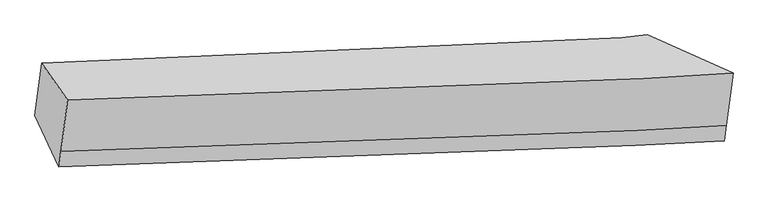
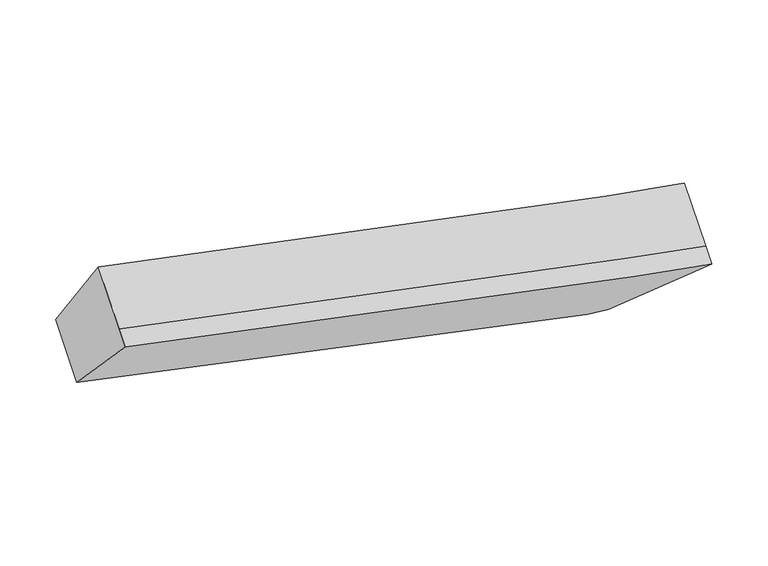
"""IFC4 building model written with IfcOpenShell, lengths in millimetres: proxy geometry."""

import ifcopenshell
import ifcopenshell.guid

model = None  # the IFC model being written
_history = None  # IfcOwnerHistory: only IFC2X3 demands one
_inside = {}  # id of a spatial element -> (the spatial element, [elements in it])
_under = {}  # id of a project, library or spatial element -> (it, [spatial elements below it])
_declared = {}  # id of a project -> (the project, [libraries it declares])
_typed = {}  # id of a type object -> (the type object, [elements of that type])
_made_of = {}  # id of a material, layer set ... -> (it, [elements and type objects made of it])


def new_model(schema):
    """Start an empty IFC model of exactly this schema.

    Asked for "IFC4X3", IfcOpenShell would pick the latest addendum, in which some entities
    have other attributes; the version numbers below select the first issue.
    IFC2X3 requires an IfcOwnerHistory on every rooted entity: one is made here for all.
    """
    global model, _history
    if schema == "IFC4X3":
        model = ifcopenshell.file(schema_version=(4, 3, 0, 0))
    else:
        model = ifcopenshell.file(schema=schema)
    _inside.clear()
    _under.clear()
    _declared.clear()
    _typed.clear()
    _made_of.clear()
    _history = None
    if model.schema == "IFC2X3":
        org = make("IfcOrganization", Name="unknown")
        user = make(
            "IfcPersonAndOrganization",
            ThePerson=make("IfcPerson", FamilyName="unknown"),
            TheOrganization=org,
        )
        app = make(
            "IfcApplication",
            ApplicationDeveloper=org,
            Version="unknown",
            ApplicationFullName="unknown",
            ApplicationIdentifier="unknown",
        )
        _history = make(
            "IfcOwnerHistory",
            OwningUser=user,
            OwningApplication=app,
            ChangeAction="ADDED",
            CreationDate=0,
        )
    return model


def make(cls, **values):
    """One entity of the class cls with the attributes given. An attribute that is None is left unset."""
    return model.create_entity(
        cls, **{name: value for name, value in values.items() if value is not None}
    )


def rooted(cls, **values):
    """An entity with a GlobalId (a new one), such as an element, a storey or a relation."""
    return make(cls, GlobalId=ifcopenshell.guid.new(), OwnerHistory=_history, **values)


def si_unit(unit_type, name, prefix=None):
    """IfcSIUnit, for example si_unit("LENGTHUNIT", "METRE", prefix="MILLI")."""
    return make("IfcSIUnit", UnitType=unit_type, Prefix=prefix, Name=name)


def assignment(units):
    """IfcUnitAssignment: the units of a project."""
    return None if units is None else make("IfcUnitAssignment", Units=units)


def point(xyz):
    """IfcCartesianPoint."""
    return None if xyz is None else make("IfcCartesianPoint", Coordinates=xyz)


def direction(xyz):
    """IfcDirection."""
    return None if xyz is None else make("IfcDirection", DirectionRatios=xyz)


def frame(location, z_axis=None, x_axis=None):
    """IfcAxis2Placement3D, a coordinate frame: its origin and axes. An axis left out is left unset."""
    return make(
        "IfcAxis2Placement3D",
        Location=point(location),
        Axis=direction(z_axis),
        RefDirection=direction(x_axis),
    )


def origin():
    """The frame at (0, 0, 0) with its axes left unset."""
    return frame((0.0, 0.0, 0.0))


def place(relative_to, where):
    """IfcLocalPlacement: puts the frame where relative to a parent placement (None: the world)."""
    return make(
        "IfcLocalPlacement", PlacementRelTo=relative_to, RelativePlacement=where
    )


def context(
    kind, dimensions, precision=None, world=None, true_north=None, identifier=None
):
    """IfcGeometricRepresentationContext, for example the 3D "Model" context."""
    return make(
        "IfcGeometricRepresentationContext",
        ContextIdentifier=identifier,
        ContextType=kind,
        CoordinateSpaceDimension=dimensions,
        Precision=precision,
        WorldCoordinateSystem=world,
        TrueNorth=true_north,
    )


def project(units=None, contexts=None):
    """IfcProject with its units and contexts."""
    return rooted(
        "IfcProject",
        Name="project",
        RepresentationContexts=contexts,
        UnitsInContext=assignment(units),
    )


def spatial(cls, under=None, at=None, **own):
    """A site, building, storey or space (cls), placed at a placement, below another one or the project."""
    s = rooted(cls, ObjectPlacement=at, **own)
    if under is not None:
        _under.setdefault(under.id(), (under, []))[1].append(s)
    return s


def shape(context_of_items, identifier, shape_type, items):
    """IfcShapeRepresentation: the items that make up one representation, for example the "Body"."""
    return make(
        "IfcShapeRepresentation",
        ContextOfItems=context_of_items,
        RepresentationIdentifier=identifier,
        RepresentationType=shape_type,
        Items=items,
    )


def source(mapping_origin, context_of_items, identifier, shape_type, items):
    """IfcRepresentationMap: a shape defined once, which mapped items show again and again."""
    return make(
        "IfcRepresentationMap",
        MappingOrigin=mapping_origin,
        MappedRepresentation=shape(context_of_items, identifier, shape_type, items),
    )


def transform(
    local_origin,
    x_axis=None,
    y_axis=None,
    z_axis=None,
    scale=None,
    scale2=None,
    scale3=None,
    uniform=True,
):
    """IfcCartesianTransformationOperator3D, or its non-uniform kind. x_axis, y_axis, z_axis: its Axis1, 2, 3."""
    if uniform:
        return make(
            "IfcCartesianTransformationOperator3D",
            Axis1=direction(x_axis),
            Axis2=direction(y_axis),
            LocalOrigin=point(local_origin),
            Scale=scale,
            Axis3=direction(z_axis),
        )
    return make(
        "IfcCartesianTransformationOperator3DnonUniform",
        Axis1=direction(x_axis),
        Axis2=direction(y_axis),
        LocalOrigin=point(local_origin),
        Scale=scale,
        Axis3=direction(z_axis),
        Scale2=scale2,
        Scale3=scale3,
    )


def mapped(mapping_source, mapping_target):
    """IfcMappedItem: shows the shape of a source again, moved by a transform."""
    return make(
        "IfcMappedItem", MappingSource=mapping_source, MappingTarget=mapping_target
    )


def made_of(thing, what):
    """Note that an element or type object is made of a material, layer set ...; save() writes the relation."""
    if what is not None:
        _made_of.setdefault(what.id(), (what, []))[1].append(thing)
    return thing


def element(
    cls,
    number,
    at=None,
    inside=None,
    cuts=None,
    type_object=None,
    material=None,
    context=None,
    identifier="Body",
    shape_type=None,
    held_by="IfcProductDefinitionShape",
    body=None,
    shapes=None,
    **own,
):
    """One element of the class cls, such as IfcWall. Its Tag is "e" and its number.

    at: its placement. inside: the storey or other place that contains it. cuts: it is an
    opening in that element (IfcRelVoidsElement). A single representation is given by context,
    identifier, shape_type and body (its items); several are given by shapes. held_by: the class
    of the entity that holds the representations. save() writes the other relations.
    """
    e = rooted(cls, Tag="e%d" % number, ObjectPlacement=at, **own)
    if body is not None:
        shapes = [shape(context, identifier, shape_type, body)]
    if shapes is not None:
        e.Representation = make(held_by, Representations=shapes)
    if inside is not None:
        _inside.setdefault(inside.id(), (inside, []))[1].append(e)
    if cuts is not None:
        rooted(
            "IfcRelVoidsElement", RelatingBuildingElement=cuts, RelatedOpeningElement=e
        )
    if type_object is not None:
        _typed.setdefault(type_object.id(), (type_object, []))[1].append(e)
    return made_of(e, material)


def aggregate(whole, parts):
    """IfcRelAggregates: a whole, such as a stair, and the parts it consists of."""
    return rooted("IfcRelAggregates", RelatingObject=whole, RelatedObjects=parts)


def save(model, path):
    """Write the relations noted so far, then the file.

    IfcRelAggregates (storeys below a building ...), IfcRelContainedInSpatialStructure (elements
    in a storey), IfcRelDefinesByType, IfcRelAssociatesMaterial and IfcRelDeclares: one each for
    every whole, place, type object, material and project.
    """
    for whole, parts in _under.values():
        aggregate(whole, parts)
    for where, things in _inside.values():
        rooted(
            "IfcRelContainedInSpatialStructure",
            RelatedElements=things,
            RelatingStructure=where,
        )
    for kind, things in _typed.values():
        rooted("IfcRelDefinesByType", RelatedObjects=things, RelatingType=kind)
    for what, things in _made_of.values():
        rooted("IfcRelAssociatesMaterial", RelatedObjects=things, RelatingMaterial=what)
    for by, libraries in _declared.values():
        rooted("IfcRelDeclares", RelatingContext=by, RelatedDefinitions=libraries)
    model.write(path)


def plane_surface(at):
    """IfcPlane: the flat surface through the origin of the frame at, square to its z axis."""
    return make("IfcPlane", Position=at)


def spline_curve(degree, points, multiplicities, knots, weights=None):
    """IfcBSplineCurveWithKnots; with weights, IfcRationalBSplineCurveWithKnots."""
    own = dict(
        Degree=degree,
        ControlPointsList=[point(p) for p in points],
        CurveForm="UNSPECIFIED",
        ClosedCurve=False,
        SelfIntersect=False,
        KnotMultiplicities=multiplicities,
        Knots=knots,
        KnotSpec="UNSPECIFIED",
    )
    if weights is None:
        return make("IfcBSplineCurveWithKnots", **own)
    return make("IfcRationalBSplineCurveWithKnots", WeightsData=weights, **own)


def spline_surface(u_degree, v_degree, points, u_multiplicities, v_multiplicities, u_knots, v_knots, weights=None):
    """IfcBSplineSurfaceWithKnots; with weights, IfcRationalBSplineSurfaceWithKnots. points: one row for each step in u."""
    own = dict(
        UDegree=u_degree,
        VDegree=v_degree,
        ControlPointsList=[[point(p) for p in row] for row in points],
        SurfaceForm="UNSPECIFIED",
        UClosed=False,
        VClosed=False,
        SelfIntersect=False,
        UMultiplicities=u_multiplicities,
        VMultiplicities=v_multiplicities,
        UKnots=u_knots,
        VKnots=v_knots,
        KnotSpec="UNSPECIFIED",
    )
    if weights is None:
        return make("IfcBSplineSurfaceWithKnots", **own)
    return make("IfcRationalBSplineSurfaceWithKnots", WeightsData=weights, **own)


def advanced_brep(points, edges, surfaces, faces):
    """IfcAdvancedBrep: a solid bounded by faces that lie on surfaces and meet in shared edges.

    An edge is (start, end): straight between two places in points (the first is 0);
    or (start, end, curve); or (start, end, curve, False) where it runs against its curve.
    A face is (place in surfaces, loops), or (place, loops, False) where it looks against
    its surface's normal. A loop lists edges by number (the first is 1), with a minus sign
    where the edge is run from its end to its start. The first loop is the outer one.
    """
    corners = [point(p) for p in points]
    vertices = [make("IfcVertexPoint", VertexGeometry=c) for c in corners]
    made = []
    for start, end, *more in edges:
        made.append(
            make(
                "IfcEdgeCurve",
                EdgeStart=vertices[start],
                EdgeEnd=vertices[end],
                EdgeGeometry=more[0] if more else make("IfcPolyline", Points=[corners[start], corners[end]]),
                SameSense=more[1] if len(more) > 1 else True,
            )
        )
    hull = []
    for where, loops, *sense in faces:
        bounds = []
        for j, loop in enumerate(loops):
            ring = [make("IfcOrientedEdge", EdgeElement=made[abs(k) - 1], Orientation=k > 0) for k in loop]
            bounds.append(
                make(
                    "IfcFaceOuterBound" if j == 0 else "IfcFaceBound",
                    Bound=make("IfcEdgeLoop", EdgeList=ring),
                    Orientation=True,
                )
            )
        hull.append(make("IfcAdvancedFace", Bounds=bounds, FaceSurface=surfaces[where], SameSense=sense[0] if sense else True))
    return make("IfcAdvancedBrep", Outer=make("IfcClosedShell", CfsFaces=hull))


def generic_models_641b0c80(model_context):
    return source(origin(), model_context, "Body", "AdvancedBrep", [
        advanced_brep(
        [(-2614.8056759, -1820.9592494, 3692.2844311), (-2424.2299399, -2093.2315933, 4243.6615067), (2476.0487567, -1894.9593161, 3133.0947171), (1843.9368984, -1611.0300807, 2639.6850621), (-2473.5759746, -2472.8406247, 3958.5204499), (2425.8077041, -2281.4535388, 2842.78189), (-2488.0490892, -2584.1793587, 3874.8890249), (2411.3345895, -2392.7922728, 2759.150465), (-2664.9224652, -2206.49754, 3402.6896468), (1793.1057402, -2002.0638656, 2345.9623701)],
        [
            (0, 1),
            (1, 2, spline_curve(3, [(-2424.2299399, -2093.2315933, 4243.6615067), (-1542.978353635, -2100.693811062, 4024.335257914), (-128.576472751, -2047.710017592, 3701.8544862), (2031.642765581, -1921.894005406, 3229.74104866), (2250.66711691, -1908.787040125, 3182.032890577), (2476.0487567, -1894.9593161, 3133.0947171)], [4, 2, 4], [0.0, 14.222858874554204, 15.775953913931335])),
            (2, 3),
            (3, 0, spline_curve(3, [(1843.9368984, -1611.0300807, 2639.6850621), (1792.516169492, -1618.218108276, 2642.936471535), (1731.753230276, -1625.376693959, 2649.268319996), (1019.642522805, -1697.792767562, 2744.875998194), (-405.842063049, -1760.610571147, 3089.410606374), (-2614.8056759, -1820.9592494, 3692.2844311)], [4, 2, 4], [0.0, 1.5530950393771317, 15.775953913931335])),
            (1, 4),
            (4, 5, spline_curve(3, [(-2473.5759746, -2472.8406247, 3958.5204499), (-1591.334098505, -2472.684745095, 3744.916489725), (-177.077216279, -2420.8163954, 3421.597858696), (1981.72193178, -2305.924850203, 2941.278573311), (2200.592942316, -2293.997504451, 2892.684350933), (2425.8077041, -2281.4535388, 2842.78189)], [4, 2, 4], [0.0, 14.87538016913236, 16.499728645995987])),
            (5, 2),
            (4, 6),
            (6, 7, spline_curve(3, [(-2488.0490892, -2584.1793587, 3874.8890249), (-1605.807213337, -2584.023478852, 3661.285064716), (-191.550330988, -2532.155129408, 3337.966433425), (1967.248817081, -2417.263584202, 2857.64714823), (2186.119827669, -2405.336238454, 2809.052925928), (2411.3345895, -2392.7922728, 2759.150465)], [4, 2, 4], [0.0, 14.874930213574114, 16.499229556592596])),
            (7, 5),
            (6, 8),
            (8, 9, spline_curve(3, [(-2664.9224652, -2206.49754, 3402.6896468), (-451.047143866, -2108.364087125, 2828.197629838), (974.727438878, -2043.315394989, 2485.338740195), (1682.03342141, -2007.861094438, 2361.967447012), (1742.268240616, -2004.765228516, 2352.583910894), (1793.1057402, -2002.0638656, 2345.9623701)], [4, 2, 4], [0.0, 14.220252215323224, 15.773062615053947])),
            (9, 7),
            (8, 0),
            (3, 9),
        ],
        [
            spline_surface(3, 3, [[(-2614.8056759, -1820.9592494, 3692.2844311), (-405.842062888, -1760.610571147, 3089.410606152), (1019.642522694, -1697.792767326, 2744.875998223), (1731.753230288, -1625.376693985, 2649.268319993), (1792.5161695, -1618.218108264, 2642.936471559), (1843.9368984, -1611.0300807, 2639.6850621)], [(-2551.28043057, -1911.716697348, 3876.076789628), (-784.887493153, -1873.971651161, 3401.05215674), (636.902857532, -1814.43185072, 3063.868827538), (1831.716408724, -1724.215797816, 2842.759229561), (1945.233151983, -1715.074418887, 2822.635277887), (2054.640851178, -1705.673159161, 2804.154947089)], [(-2487.75518523, -2002.474145352, 4059.869148172), (-1163.932923407, -1987.332731233, 3712.693707343), (254.163192359, -1931.070934056, 3382.861656824), (1931.679587151, -1823.05490159, 3036.250139099), (2097.950134434, -1811.930729526, 3002.334084247), (2265.344803922, -1800.316237639, 2968.624832111)], [(-2424.2299399, -2093.2315933, 4243.6615067), (-1542.978353672, -2100.693811248, 4024.335257931), (-128.576472803, -2047.71001745, 3701.854486139), (2031.642765587, -1921.894005421, 3229.741048667), (2250.667116917, -1908.787040149, 3182.032890575), (2476.0487567, -1894.9593161, 3133.0947171)]], [4, 4], [4, 2, 4], [0.0, 4.0025320781058005], [0.0, 14.222858874554204, 15.775953913931335]),
            spline_surface(3, 3, [[(-2424.2299399, -2093.2315933, 4243.6615067), (-1542.978353672, -2100.693811248, 4024.335257931), (-128.576472803, -2047.71001745, 3701.854486139), (2031.642765587, -1921.894005421, 3229.741048667), (2250.667116917, -1908.787040149, 3182.032890575), (2476.0487567, -1894.9593161, 3133.0947171)], [(-2440.678618133, -2219.767937114, 4148.614487788), (-1559.096935345, -2224.690789206, 3931.195668515), (-144.743387315, -2172.078810135, 3608.435610312), (2015.002487633, -2049.904287003, 3133.586890204), (2233.975725366, -2037.190528261, 3085.583377375), (2459.301739157, -2023.790723683, 3036.323774746)], [(-2457.127296367, -2346.304280886, 4053.567468812), (-1575.215517018, -2348.687767124, 3838.056079034), (-160.910301773, -2296.447602843, 3515.016734518), (1998.362209735, -2177.914568607, 3037.432731775), (2217.284333844, -2165.594016324, 2989.133864139), (2442.554721643, -2152.622131217, 2939.552832354)], [(-2473.5759746, -2472.8406247, 3958.5204499), (-1591.33409869, -2472.684745082, 3744.916489618), (-177.077216285, -2420.816395527, 3421.597858691), (1981.721931781, -2305.924850189, 2941.278573312), (2200.592942294, -2293.997504436, 2892.684350939), (2425.8077041, -2281.4535388, 2842.78189)]], [4, 4], [4, 2, 4], [0.0, 1.5469981053069026], [0.0, 14.87538016913236, 16.499728645995987]),
            spline_surface(3, 3, [[(-2473.5759746, -2472.8406247, 3958.5204499), (-1591.33409869, -2472.684745082, 3744.916489618), (-177.077216285, -2420.816395527, 3421.597858691), (1981.721931781, -2305.924850189, 2941.278573312), (2200.592942294, -2293.997504436, 2892.684350939), (2425.8077041, -2281.4535388, 2842.78189)], [(-2478.400346148, -2509.953536038, 3930.643308207), (-1596.158470239, -2509.79765642, 3717.039347925), (-181.901587833, -2457.929306865, 3393.720716998), (1976.897560233, -2343.037761527, 2913.401431619), (2195.768570745, -2331.110415774, 2864.807209246), (2420.983332552, -2318.566450138, 2814.904748307)], [(-2483.224717652, -2547.066447362, 3902.766166593), (-1600.982841742, -2546.910567744, 3689.162206311), (-186.725959437, -2495.042218189, 3365.843575284), (1972.073188629, -2380.150672851, 2885.524289905), (2190.944199242, -2368.223327098, 2836.930067632), (2416.158961048, -2355.679361462, 2787.027606693)], [(-2488.0490892, -2584.1793587, 3874.8890249), (-1605.80721329, -2584.023479082, 3661.285064618), (-191.550330985, -2532.155129527, 3337.966433591), (1967.248817081, -2417.263584189, 2857.647148212), (2186.119827694, -2405.336238436, 2809.052925939), (2411.3345895, -2392.7922728, 2759.150465)]], [4, 4], [4, 2, 4], [0.0, 0.45931758530186123], [0.0, 14.874930213574114, 16.499229556592596]),
            spline_surface(3, 3, [[(-2488.0490892, -2584.1793587, 3874.8890249), (-1605.80721329, -2584.023479082, 3661.285064618), (-191.550330985, -2532.155129527, 3337.966433591), (1967.248817081, -2417.263584189, 2857.647148212), (2186.119827694, -2405.336238436, 2809.052925939), (2411.3345895, -2392.7922728, 2759.150465)], [(-2547.006881198, -2458.28541912, 3717.489232207), (-1220.887190181, -2425.470348408, 3383.589252971), (197.208925541, -2369.208551295, 3053.75720245), (1872.177018516, -2280.796087588, 2692.420581135), (2038.169298687, -2271.812568444, 2656.896587604), (2205.258306426, -2262.549470373, 2621.421100047)], [(-2605.964673202, -2332.39147958, 3560.089439493), (-835.967167076, -2266.917217774, 3105.893441303), (585.968182116, -2206.261973126, 2769.547971338), (1777.10522, -2144.328591049, 2527.194014088), (1890.218769602, -2138.288898533, 2504.740249228), (1999.182023274, -2132.306668027, 2483.691735053)], [(-2664.9224652, -2206.49754, 3402.6896468), (-451.047143966, -2108.3640871, 2828.197629656), (974.727438642, -2043.315394894, 2485.338740196), (1682.033421436, -2007.861094448, 2361.967447011), (1742.268240596, -2004.765228542, 2352.583910893), (1793.1057402, -2002.0638656, 2345.9623701)]], [4, 4], [4, 2, 4], [0.0, 3.965962385373572], [0.0, 14.220252215323224, 15.773062615053947]),
            spline_surface(3, 3, [[(-2664.9224652, -2206.49754, 3402.6896468), (-451.047143966, -2108.3640871, 2828.197629656), (974.727438642, -2043.315394894, 2485.338740196), (1682.033421436, -2007.861094448, 2361.967447011), (1742.268240596, -2004.765228542, 2352.583910893), (1793.1057402, -2002.0638656, 2345.9623701)], [(-2648.21686875, -2077.98477648, 3499.22124157), (-435.97878359, -1992.446248463, 2915.268621824), (989.699133339, -1928.141185709, 2571.851159542), (1698.606691066, -1880.366294298, 2457.734404676), (1759.017550218, -1875.916188461, 2449.368097793), (1810.049459587, -1871.719270645, 2443.869934111)], [(-2631.51127235, -1949.47201292, 3595.75283633), (-420.910423264, -1876.528409784, 3002.339613984), (1004.670827997, -1812.96697651, 2658.363578877), (1715.179960658, -1752.871494134, 2553.501362328), (1775.766859878, -1747.067148344, 2546.152284659), (1826.993179013, -1741.374675655, 2541.777498089)], [(-2614.8056759, -1820.9592494, 3692.2844311), (-405.842062888, -1760.610571147, 3089.410606152), (1019.642522694, -1697.792767326, 2744.875998223), (1731.753230288, -1625.376693985, 2649.268319993), (1792.5161695, -1618.218108264, 2642.936471559), (1843.9368984, -1611.0300807, 2639.6850621)]], [4, 4], [4, 2, 4], [0.0, 1.4664959113569545], [0.0, 13.569867586826392, 15.051657866824877]),
            plane_surface(frame((2131.1064962, -1975.2113838, 2719.4731536), z_axis=(0.66905623223632, 0.3888030698866513, -0.63340029282631), x_axis=(-0.735986725263171, 0.46515286581140397, -0.49189058911899464))),
            plane_surface(frame((-2548.0017925, -2176.2169354, 3803.3811523), z_axis=(-0.9541967084452272, -0.09022649386759668, 0.28525045380622016), x_axis=(-0.10337939031606595, -0.7952766715264227, -0.5973673219918653))),
        ],
        [
            (0, [[1, 2, 3, 4]]),
            (1, [[5, 6, 7, -2]]),
            (2, [[8, 9, 10, -6]]),
            (3, [[11, 12, 13, -9]]),
            (4, [[14, -4, 15, -12]]),
            (5, [[-13, -15, -3, -7, -10]]),
            (6, [[-14, -11, -8, -5, -1]]),
        ],
    ),
    ])


if __name__ == "__main__":
    model = new_model("IFC4")
    model_context = context("Model", 3, world=origin())
    ifc_project = project(units=[si_unit("LENGTHUNIT", "METRE", prefix="MILLI")], contexts=[model_context])
    site = spatial("IfcSite", under=ifc_project)
    building = spatial("IfcBuilding", under=site)
    placement = place(None, origin())
    generic_models_shape = generic_models_641b0c80(model_context)
    element("IfcBuildingElementProxy", 1, Name="Generic Models", at=placement, inside=building, context=model_context, shape_type="MappedRepresentation", body=[
        mapped(generic_models_shape, transform((0.0, 0.0, 0.0), x_axis=(1.0, 0.0, 0.0), y_axis=(0.0, 1.0, 0.0), z_axis=(0.0, 0.0, 1.0))),
    ])
    save(model, "model.ifc")
